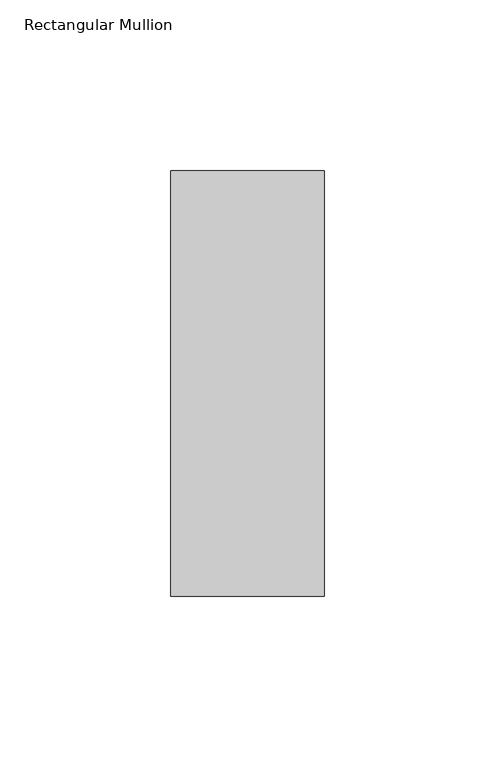
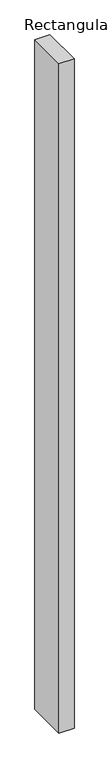
"""IFC4 building model written with IfcOpenShell, lengths in millimetres: member geometry, Rectangular Mullion."""

from ifc_helpers import new_model, si_unit, frame, origin, place, context, project, spatial, polyline, outline, extrude, source, transform, mapped, element, save


def rectangular_mullion_f073e174(model_context):
    return source(origin(), model_context, "Body", "SweptSolid", [
        extrude(outline(polyline([(0.0, -77.84375), (-45.0, -77.84375), (-45.0, 46.84375), (0.0, 46.84375), (0.0, -77.84375)])), frame((0.0, 0.0, -2116.9), z_axis=(0.0, 0.0, 1.0), x_axis=(1.0, 0.0, 0.0)), (0.0, 0.0, 1.0), 2116.9),
    ])


if __name__ == "__main__":
    model = new_model("IFC4")
    model_context = context("Model", 3, world=origin())
    ifc_project = project(units=[si_unit("LENGTHUNIT", "METRE", prefix="MILLI")], contexts=[model_context])
    site = spatial("IfcSite", under=ifc_project)
    building = spatial("IfcBuilding", under=site)
    placement = place(None, origin())
    rectangular_mullion_shape = rectangular_mullion_f073e174(model_context)
    element("IfcMember", 1, ObjectType="Rectangular Mullion", at=placement, inside=building, context=model_context, shape_type="MappedRepresentation", body=[
        mapped(rectangular_mullion_shape, transform((0.0, 0.0, 0.0), x_axis=(1.0, 0.0, 0.0), y_axis=(0.0, 1.0, 0.0), z_axis=(0.0, 0.0, 1.0))),
    ])
    save(model, "model.ifc")
